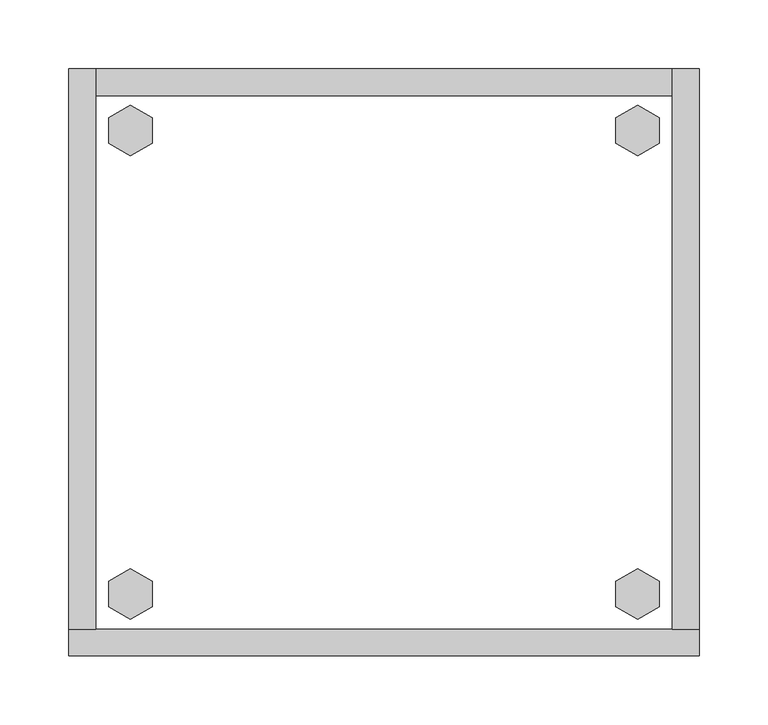
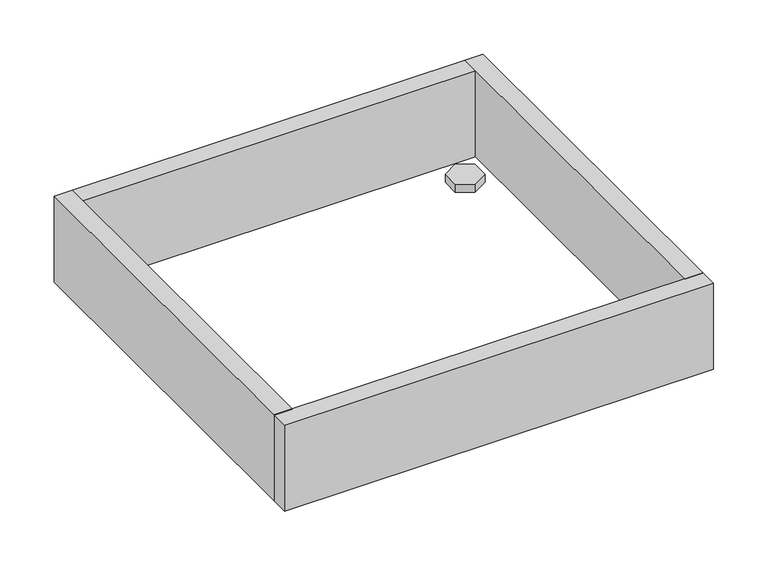
"""IFC4 building model written with IfcOpenShell, lengths in millimetres: furniture geometry."""

from ifc_helpers import new_model, si_unit, frame, origin, origin_with_axes, place, context, project, spatial, polyline, outline, extrude, source, transform, mapped, element, save


def furniture_384157e6(model_context):
    return source(origin(), model_context, "Body", "SweptSolid", [
        extrude(outline(polyline([(396.5735422, -371.8179), (412.5214, -362.6104), (428.4692578, -371.8179), (428.4692578, -390.2329), (412.5214, -399.4404), (396.5735422, -390.2329), (396.5735422, -371.8179)])), origin_with_axes(), (0.0, 0.0, 1.0), 9.144),
        extrude(outline(polyline([(396.5735422, -35.4711), (412.5214, -26.2636), (428.4692578, -35.4711), (428.4692578, -53.8861), (412.5214, -63.0936), (396.5735422, -53.8861), (396.5735422, -35.4711)])), origin_with_axes(), (0.0, 0.0, 1.0), 9.144),
        extrude(outline(polyline([(28.7307422, -371.8179), (44.6786, -362.6104), (60.6264578, -371.8179), (60.6264578, -390.2329), (44.6786, -399.4404), (28.7307422, -390.2329), (28.7307422, -371.8179)])), origin_with_axes(), (0.0, 0.0, 1.0), 9.144),
        extrude(outline(polyline([(28.7307422, -35.4711), (44.6786, -26.2636), (60.6264578, -35.4711), (60.6264578, -53.8861), (44.6786, -63.0936), (28.7307422, -53.8861), (28.7307422, -35.4711)])), origin_with_axes(), (0.0, 0.0, 1.0), 9.144),
        extrude(outline(polyline([(19.304, 0.0), (19.304, -406.4), (0.0, -406.4), (0.0, 0.0), (19.304, 0.0)])), frame((0.0, 0.0, 4.699), z_axis=(0.0, 0.0, 1.0), x_axis=(1.0, 0.0, 0.0)), (0.0, 0.0, 1.0), 96.901),
        extrude(outline(polyline([(457.2, 0.0), (457.2, -406.4), (437.896, -406.4), (437.896, 0.0), (457.2, 0.0)])), frame((0.0, 0.0, 4.699), z_axis=(0.0, 0.0, 1.0), x_axis=(1.0, 0.0, 0.0)), (0.0, 0.0, 1.0), 96.901),
        extrude(outline(polyline([(437.896, -19.304), (19.304, -19.304), (19.304, 0.0), (437.896, 0.0), (437.896, -19.304)])), frame((0.0, 0.0, 4.699), z_axis=(0.0, 0.0, 1.0), x_axis=(1.0, 0.0, 0.0)), (0.0, 0.0, 1.0), 96.901),
        extrude(outline(polyline([(457.2, -406.4), (457.2, -425.704), (0.0, -425.704), (0.0, -406.4), (457.2, -406.4)])), frame((0.0, 0.0, 4.699), z_axis=(0.0, 0.0, 1.0), x_axis=(1.0, 0.0, 0.0)), (0.0, 0.0, 1.0), 96.901),
    ])


if __name__ == "__main__":
    model = new_model("IFC4")
    model_context = context("Model", 3, world=origin())
    ifc_project = project(units=[si_unit("LENGTHUNIT", "METRE", prefix="MILLI")], contexts=[model_context])
    site = spatial("IfcSite", under=ifc_project)
    building = spatial("IfcBuilding", under=site)
    placement = place(None, origin())
    furniture_shape = furniture_384157e6(model_context)
    element("IfcFurniture", 1, at=placement, inside=building, context=model_context, shape_type="MappedRepresentation", body=[
        mapped(furniture_shape, transform((0.0, 0.0, 0.0), x_axis=(1.0, 0.0, 0.0), y_axis=(0.0, 1.0, 0.0), z_axis=(0.0, 0.0, 1.0))),
    ])
    save(model, "model.ifc")
